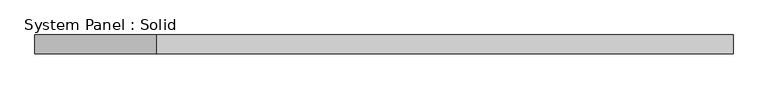
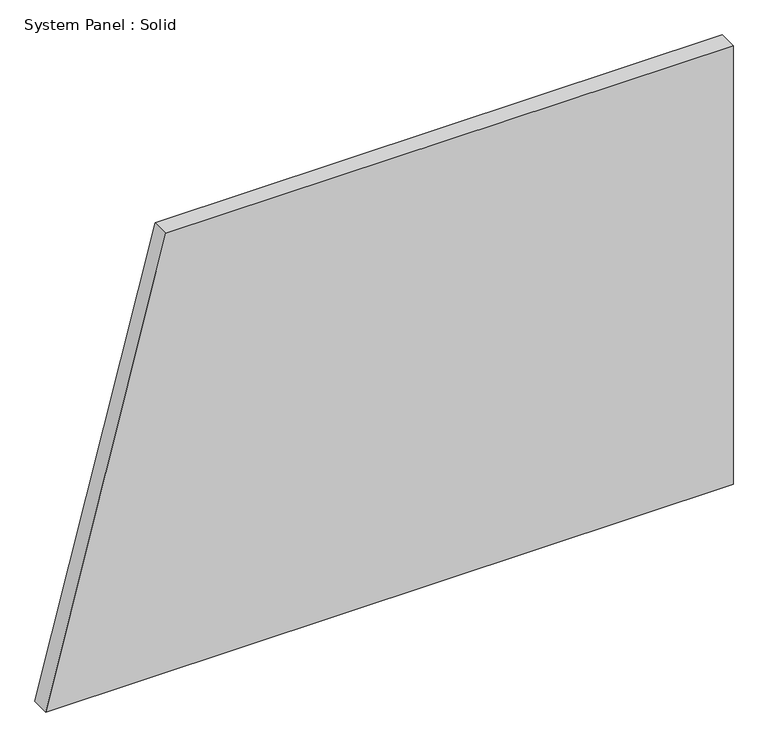
"""IFC4 building model written with IfcOpenShell, lengths in millimetres: plate geometry, System Panel : Solid."""

from ifc_helpers import new_model, si_unit, frame, origin, place, context, project, spatial, polyline, outline, extrude, source, transform, mapped, element, save


def system_panel_solid_442cafd4(model_context):
    return source(origin(), model_context, "Body", "SweptSolid", [
        extrude(outline(polyline([(0.0, -1111.4334652), (0.0, 1111.4334652), (1500.0, 1111.4334652), (1500.0, -722.8669303), (0.0, -1111.4334652)])), frame((0.0, -10.5, 0.0), z_axis=(0.0, 1.0, 0.0), x_axis=(0.0, 0.0, 1.0)), (0.0, 0.0, 1.0), 60.0),
    ])


if __name__ == "__main__":
    model = new_model("IFC4")
    model_context = context("Model", 3, world=origin())
    ifc_project = project(units=[si_unit("LENGTHUNIT", "METRE", prefix="MILLI")], contexts=[model_context])
    site = spatial("IfcSite", under=ifc_project)
    building = spatial("IfcBuilding", under=site)
    placement = place(None, origin())
    system_panel_solid_shape = system_panel_solid_442cafd4(model_context)
    element("IfcPlate", 1, ObjectType="System Panel : Solid", at=placement, inside=building, context=model_context, shape_type="MappedRepresentation", body=[
        mapped(system_panel_solid_shape, transform((0.0, 0.0, 0.0), x_axis=(1.0, 0.0, 0.0), y_axis=(0.0, 1.0, 0.0), z_axis=(0.0, 0.0, 1.0))),
    ])
    save(model, "model.ifc")
